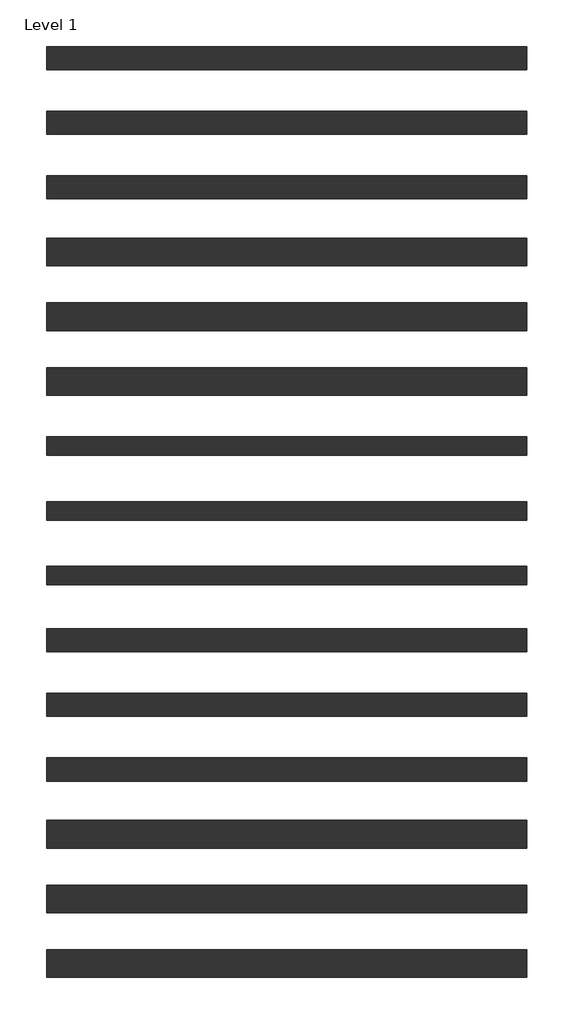
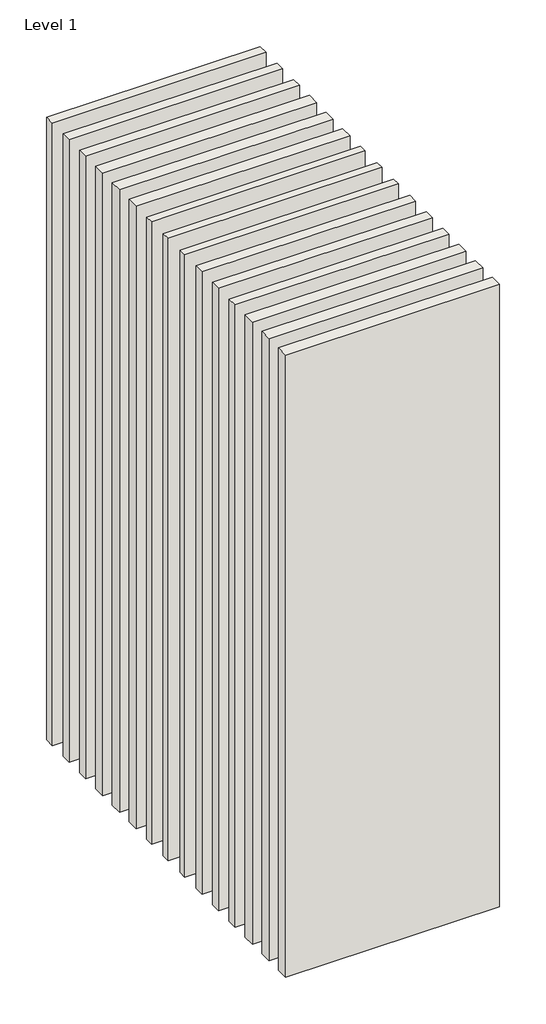
# One storey: 17 walls.
"""IFC4 building model written with IfcOpenShell, lengths in millimetres."""

from ifc_helpers import new_model, si_unit, origin, origin_with_axes, place, context, project, spatial, polyline, outline, extrude, element, save

model = new_model("IFC4")

# Units and contexts
model_context = context("Model", 3, world=origin())
ifc_project = project(units=[si_unit("LENGTHUNIT", "METRE", prefix="MILLI")], contexts=[model_context])

# Site, building, storey
site = spatial("IfcSite", under=ifc_project)
building = spatial("IfcBuilding", under=site)
storey = spatial("IfcBuildingStorey", under=building, Name="Level 1", Elevation=0.0)

# Walls
placement = place(None, origin())
element("IfcWall", 1, at=placement, inside=storey, context=model_context, shape_type="SweptSolid", body=[
    extrude(outline(polyline([(-16904.1464237, 6836.4042935), (-19504.1464237, 6836.4042935), (-19504.1464237, 6936.4042935), (-16904.1464237, 6936.4042935), (-16904.1464237, 6836.4042935)])), origin_with_axes(), (0.0, 0.0, 1.0), 8000.0),
])
element("IfcWall", 2, at=placement, inside=storey, context=model_context, shape_type="SweptSolid", body=[
    extrude(outline(polyline([(-16904.1464237, 6486.4042935), (-19504.1464237, 6486.4042935), (-19504.1464237, 6586.4042935), (-16904.1464237, 6586.4042935), (-16904.1464237, 6486.4042935)])), origin_with_axes(), (0.0, 0.0, 1.0), 8000.0),
])
element("IfcWall", 3, at=placement, inside=storey, context=model_context, shape_type="SweptSolid", body=[
    extrude(outline(polyline([(-16904.1464237, 6486.4042935), (-19504.1464237, 6486.4042935), (-19504.1464237, 6586.4042935), (-16904.1464237, 6586.4042935), (-16904.1464237, 6486.4042935)])), origin_with_axes(), (0.0, 0.0, 1.0), 8000.0),
])
element("IfcWall", 4, at=placement, inside=storey, context=model_context, shape_type="SweptSolid", body=[
    extrude(outline(polyline([(-16904.1464237, 6136.4042935), (-19504.1464237, 6136.4042935), (-19504.1464237, 6236.4042935), (-16904.1464237, 6236.4042935), (-16904.1464237, 6136.4042935)])), origin_with_axes(), (0.0, 0.0, 1.0), 8000.0),
])
element("IfcWall", 5, at=placement, inside=storey, context=model_context, shape_type="SweptSolid", body=[
    extrude(outline(polyline([(-16904.1464237, 6136.4042935), (-19504.1464237, 6136.4042935), (-19504.1464237, 6236.4042935), (-16904.1464237, 6236.4042935), (-16904.1464237, 6136.4042935)])), origin_with_axes(), (0.0, 0.0, 1.0), 8000.0),
])
element("IfcWall", 6, at=placement, inside=storey, context=model_context, shape_type="SweptSolid", body=[
    extrude(outline(polyline([(-16904.1464237, 5773.9042935), (-19504.1464237, 5773.9042935), (-19504.1464237, 5898.9042935), (-16904.1464237, 5898.9042935), (-16904.1464237, 5773.9042935)])), origin_with_axes(), (0.0, 0.0, 1.0), 8000.0),
])
element("IfcWall", 7, at=placement, inside=storey, context=model_context, shape_type="SweptSolid", body=[
    extrude(outline(polyline([(-16904.1464237, 5423.9042935), (-19504.1464237, 5423.9042935), (-19504.1464237, 5548.9042935), (-16904.1464237, 5548.9042935), (-16904.1464237, 5423.9042935)])), origin_with_axes(), (0.0, 0.0, 1.0), 8000.0),
])
element("IfcWall", 8, at=placement, inside=storey, context=model_context, shape_type="SweptSolid", body=[
    extrude(outline(polyline([(-16904.1464237, 5073.9042935), (-19504.1464237, 5073.9042935), (-19504.1464237, 5198.9042935), (-16904.1464237, 5198.9042935), (-16904.1464237, 5073.9042935)])), origin_with_axes(), (0.0, 0.0, 1.0), 8000.0),
])
element("IfcWall", 9, at=placement, inside=storey, context=model_context, shape_type="SweptSolid", body=[
    extrude(outline(polyline([(-16904.1464237, 4711.4042935), (-19504.1464237, 4711.4042935), (-19504.1464237, 4861.4042935), (-16904.1464237, 4861.4042935), (-16904.1464237, 4711.4042935)])), origin_with_axes(), (0.0, 0.0, 1.0), 8000.0),
])
element("IfcWall", 10, at=placement, inside=storey, context=model_context, shape_type="SweptSolid", body=[
    extrude(outline(polyline([(-16904.1464237, 4361.4042935), (-19504.1464237, 4361.4042935), (-19504.1464237, 4511.4042935), (-16904.1464237, 4511.4042935), (-16904.1464237, 4361.4042935)])), origin_with_axes(), (0.0, 0.0, 1.0), 8000.0),
])
element("IfcWall", 11, at=placement, inside=storey, context=model_context, shape_type="SweptSolid", body=[
    extrude(outline(polyline([(-16904.1464237, 4011.4042935), (-19504.1464237, 4011.4042935), (-19504.1464237, 4161.4042935), (-16904.1464237, 4161.4042935), (-16904.1464237, 4011.4042935)])), origin_with_axes(), (0.0, 0.0, 1.0), 8000.0),
])
element("IfcWall", 12, at=placement, inside=storey, context=model_context, shape_type="SweptSolid", body=[
    extrude(outline(polyline([(-16904.1464237, 8923.9042935), (-19504.1464237, 8923.9042935), (-19504.1464237, 9048.9042935), (-16904.1464237, 9048.9042935), (-16904.1464237, 8923.9042935)])), origin_with_axes(), (0.0, 0.0, 1.0), 8000.0),
])
element("IfcWall", 13, at=placement, inside=storey, context=model_context, shape_type="SweptSolid", body=[
    extrude(outline(polyline([(-16904.1464237, 8573.9042935), (-19504.1464237, 8573.9042935), (-19504.1464237, 8698.9042935), (-16904.1464237, 8698.9042935), (-16904.1464237, 8573.9042935)])), origin_with_axes(), (0.0, 0.0, 1.0), 8000.0),
])
element("IfcWall", 14, at=placement, inside=storey, context=model_context, shape_type="SweptSolid", body=[
    extrude(outline(polyline([(-16904.1464237, 8223.9042935), (-19504.1464237, 8223.9042935), (-19504.1464237, 8348.9042935), (-16904.1464237, 8348.9042935), (-16904.1464237, 8223.9042935)])), origin_with_axes(), (0.0, 0.0, 1.0), 8000.0),
])
element("IfcWall", 15, at=placement, inside=storey, context=model_context, shape_type="SweptSolid", body=[
    extrude(outline(polyline([(-16904.1464237, 7861.4042935), (-19504.1464237, 7861.4042935), (-19504.1464237, 8011.4042935), (-16904.1464237, 8011.4042935), (-16904.1464237, 7861.4042935)])), origin_with_axes(), (0.0, 0.0, 1.0), 8000.0),
])
element("IfcWall", 16, at=placement, inside=storey, context=model_context, shape_type="SweptSolid", body=[
    extrude(outline(polyline([(-16904.1464237, 7511.4042935), (-19504.1464237, 7511.4042935), (-19504.1464237, 7661.4042935), (-16904.1464237, 7661.4042935), (-16904.1464237, 7511.4042935)])), origin_with_axes(), (0.0, 0.0, 1.0), 8000.0),
])
element("IfcWall", 17, at=placement, inside=storey, context=model_context, shape_type="SweptSolid", body=[
    extrude(outline(polyline([(-16904.1464237, 7161.4042935), (-19504.1464237, 7161.4042935), (-19504.1464237, 7311.4042935), (-16904.1464237, 7311.4042935), (-16904.1464237, 7161.4042935)])), origin_with_axes(), (0.0, 0.0, 1.0), 8000.0),
])

save(model, "model.ifc")
